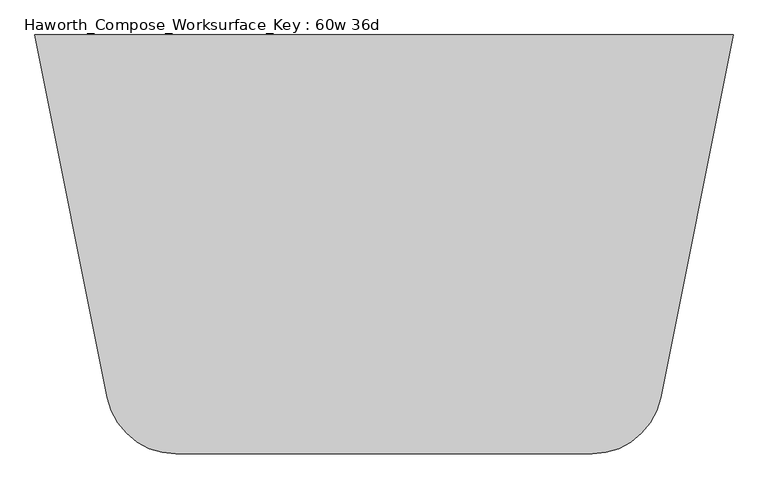
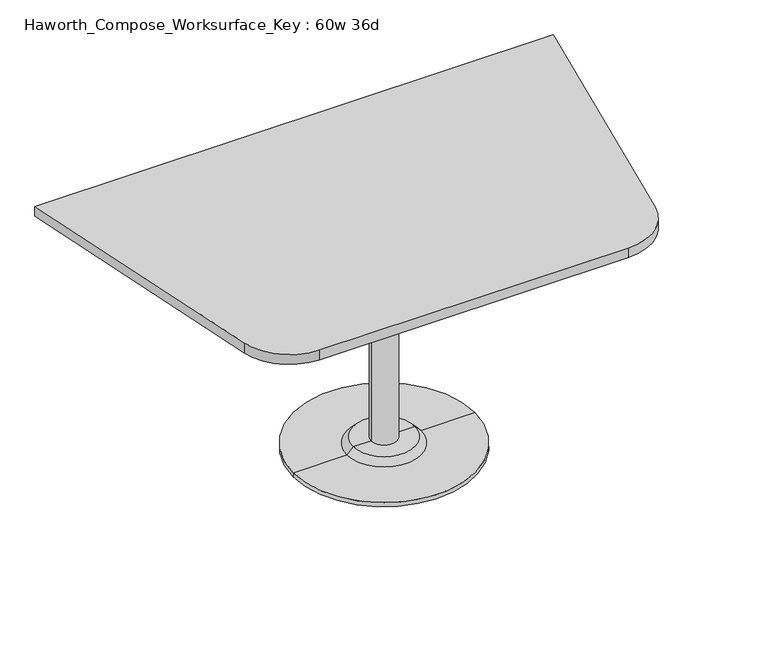
"""IFC4 building model written with IfcOpenShell, lengths in millimetres: furniture geometry, Haworth_Compose_Worksurface_Key : 60w 36d."""

from ifc_helpers import new_model, si_unit, point, frame, frame_2d, origin, place, context, project, spatial, polyline, circle_curve, trimmed, segment, composite_curve, outline, extrude, source, transform, mapped, element, save
from ifc_brep_helpers import plane_surface, cylinder_surface, revolved_surface, advanced_brep


def haworth_compose_worksurface_key_60w_36d_4189de21(model_context):
    return source(origin(), model_context, "Body", "SolidModel", [
        advanced_brep(
        [(38.1, 139.7, 706.4375), (-38.1, 139.7, 706.4375), (0.0, 139.7, 706.4375), (38.1, 139.7, 31.75), (-38.1, 139.7, 31.75), (89.723978, 139.7, 31.75), (-89.723978, 139.7, 31.75), (266.7, 139.7, 0.0), (-266.7, 139.7, 0.0), (-266.7, 139.7, 12.7), (266.7, 139.7, 12.7), (0.0, 139.7, 0.0), (108.773978, 139.7, 12.7), (-108.773978, 139.7, 12.7)],
        [
            (0, 1, circle_curve(frame((0.0, 139.7, 706.4375), z_axis=(0.0, 0.0, 1.0), x_axis=(-1.0, 0.0, 0.0)), 38.1)),
            (1, 2),
            (2, 0),
            (1, 0, circle_curve(frame((0.0, 139.7, 706.4375), z_axis=(0.0, 0.0, 1.0), x_axis=(-1.0, 0.0, 0.0)), 38.1)),
            (3, 4, circle_curve(frame((0.0, 139.7, 31.75), z_axis=(0.0, 0.0, 1.0), x_axis=(-1.0, 0.0, 0.0)), 38.1)),
            (4, 1),
            (0, 3),
            (4, 3, circle_curve(frame((0.0, 139.7, 31.75), z_axis=(0.0, 0.0, 1.0), x_axis=(-1.0, 0.0, 0.0)), 38.1)),
            (5, 6, circle_curve(frame((0.0, 139.7, 31.75), z_axis=(0.0, 0.0, 1.0), x_axis=(-1.0, 0.0, 0.0)), 89.723978)),
            (6, 4),
            (3, 5),
            (6, 5, circle_curve(frame((0.0, 139.7, 31.75), z_axis=(0.0, 0.0, 1.0), x_axis=(-1.0, 0.0, 0.0)), 89.723978)),
            (7, 8, circle_curve(frame((0.0, 139.7, 0.0), z_axis=(0.0, 0.0, 1.0), x_axis=(-1.0, 0.0, 0.0)), 266.7)),
            (8, 9),
            (9, 10, circle_curve(frame((0.0, 139.7, 12.7), z_axis=(0.0, 0.0, -1.0), x_axis=(-1.0, 0.0, 0.0)), 266.7)),
            (10, 7),
            (8, 7, circle_curve(frame((0.0, 139.7, 0.0), z_axis=(0.0, 0.0, 1.0), x_axis=(-1.0, 0.0, 0.0)), 266.7)),
            (10, 9, circle_curve(frame((0.0, 139.7, 12.7), z_axis=(0.0, 0.0, -1.0), x_axis=(-1.0, 0.0, 0.0)), 266.7)),
            (11, 8),
            (7, 11),
            (12, 13, circle_curve(frame((0.0, 139.7, 12.7), z_axis=(0.0, 0.0, 1.0), x_axis=(-1.0, 0.0, 0.0)), 108.773978)),
            (13, 6),
            (5, 12),
            (13, 12, circle_curve(frame((0.0, 139.7, 12.7), z_axis=(0.0, 0.0, 1.0), x_axis=(-1.0, 0.0, 0.0)), 108.773978)),
            (9, 13),
            (12, 10),
        ],
        [
            plane_surface(frame((0.0, 139.7, 706.4375), z_axis=(0.0, 0.0, 1.0), x_axis=(-1.0, 0.0, 0.0))),
            cylinder_surface(frame((0.0, 139.7, 889.623257), z_axis=(0.0, 0.0, -1.0), x_axis=(-1.0, 0.0, 0.0)), 38.1),
            plane_surface(frame((0.0, 139.7, 31.75), z_axis=(0.0, 0.0, 1.0), x_axis=(-1.0, 0.0, 0.0))),
            cylinder_surface(frame((0.0, 139.7, 889.623257), z_axis=(0.0, 0.0, -1.0), x_axis=(-1.0, 0.0, 0.0)), 266.7),
            plane_surface(frame((0.0, 139.7, 0.0), z_axis=(0.0, 0.0, -1.0), x_axis=(-1.0, 0.0, 0.0))),
            revolved_surface(polyline([(-89.723978, 139.7, 31.75), (-108.773978, 139.7, 12.7)]), (0.0, 139.7, 889.623257), (0.0, 0.0, -1.0)),
            plane_surface(frame((0.0, 139.7, 12.7), z_axis=(0.0, 0.0, 1.0), x_axis=(-1.0, 0.0, 0.0))),
        ],
        [
            (0, [[1, 2, 3]]),
            (0, [[4, -3, -2]]),
            (1, [[5, 6, -1, 7]]),
            (1, [[8, -7, -4, -6]]),
            (2, [[9, 10, -5, 11]]),
            (2, [[12, -11, -8, -10]]),
            (3, [[13, 14, 15, 16]]),
            (3, [[17, -16, 18, -14]]),
            (4, [[19, -13, 20]]),
            (4, [[-20, -17, -19]]),
            (5, [[21, 22, -9, 23]]),
            (5, [[24, -23, -12, -22]]),
            (6, [[-15, 25, -21, 26]]),
            (6, [[-18, -26, -24, -25]]),
        ],
    ),
        extrude(outline(composite_curve([segment(polyline([(762.0, 596.9), (603.6223802, -194.988099)]), True, "CONTINUOUS"), segment(trimmed(circle_curve(frame_2d((454.1818852, -165.1)), 152.4), [point((603.6223802, -194.988099))], [point((454.1818852, -317.5))], False, "CARTESIAN"), True, "CONTINUOUS"), segment(polyline([(454.1818852, -317.5), (-454.1818852, -317.5)]), True, "CONTINUOUS"), segment(trimmed(circle_curve(frame_2d((-454.1818852, -165.1)), 152.4), [point((-454.1818852, -317.5))], [point((-603.6223802, -194.988099))], False, "CARTESIAN"), True, "CONTINUOUS"), segment(polyline([(-603.6223802, -194.988099), (-762.0, 596.9), (762.0, 596.9)]), True, "CONTINUOUS")], self_intersect=False)), frame((0.0, 0.0, 706.4375), z_axis=(0.0, 0.0, 1.0), x_axis=(1.0, 0.0, 0.0)), (0.0, 0.0, 1.0), 30.1625),
    ])


if __name__ == "__main__":
    model = new_model("IFC4")
    model_context = context("Model", 3, world=origin())
    ifc_project = project(units=[si_unit("LENGTHUNIT", "METRE", prefix="MILLI")], contexts=[model_context])
    site = spatial("IfcSite", under=ifc_project)
    building = spatial("IfcBuilding", under=site)
    placement = place(None, origin())
    haworth_compose_worksurface_key_60w_36d_shape = haworth_compose_worksurface_key_60w_36d_4189de21(model_context)
    element("IfcFurniture", 1, ObjectType="Haworth_Compose_Worksurface_Key : 60w 36d", at=placement, inside=building, context=model_context, shape_type="MappedRepresentation", body=[
        mapped(haworth_compose_worksurface_key_60w_36d_shape, transform((0.0, 0.0, 0.0), x_axis=(1.0, 0.0, 0.0), y_axis=(0.0, 1.0, 0.0), z_axis=(0.0, 0.0, 1.0))),
    ])
    save(model, "model.ifc")
